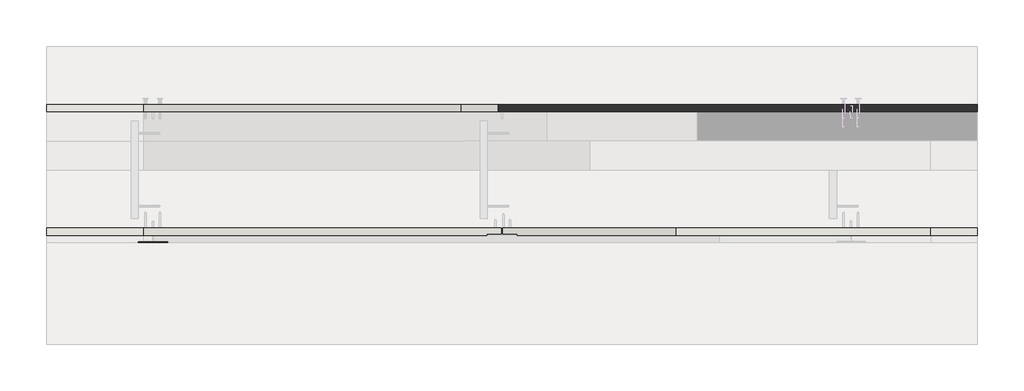
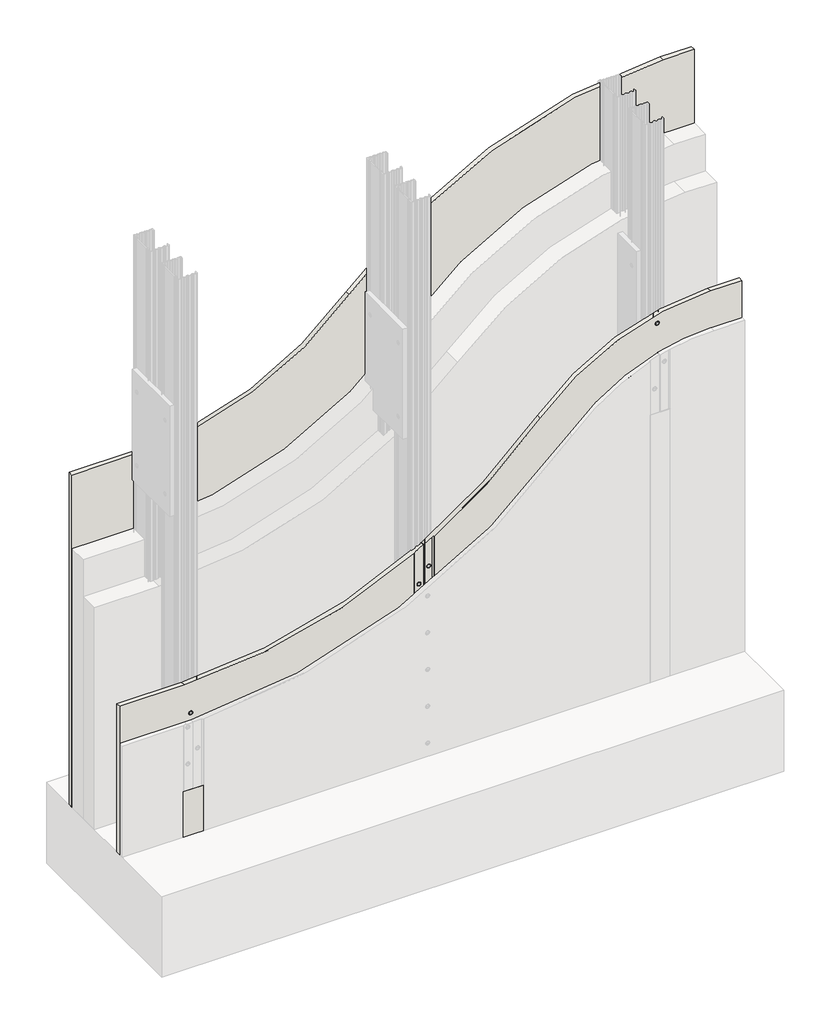
# One storey, part 1 of 4: 3 walls.
"""IFC4 building model written with IfcOpenShell, lengths in millimetres."""

import ifcopenshell
import ifcopenshell.guid

model = None  # the IFC model being written
_history = None  # IfcOwnerHistory: only IFC2X3 demands one
_inside = {}  # id of a spatial element -> (the spatial element, [elements in it])
_under = {}  # id of a project, library or spatial element -> (it, [spatial elements below it])
_declared = {}  # id of a project -> (the project, [libraries it declares])
_typed = {}  # id of a type object -> (the type object, [elements of that type])
_made_of = {}  # id of a material, layer set ... -> (it, [elements and type objects made of it])


def new_model(schema):
    """Start an empty IFC model of exactly this schema.

    Asked for "IFC4X3", IfcOpenShell would pick the latest addendum, in which some entities
    have other attributes; the version numbers below select the first issue.
    IFC2X3 requires an IfcOwnerHistory on every rooted entity: one is made here for all.
    """
    global model, _history
    if schema == "IFC4X3":
        model = ifcopenshell.file(schema_version=(4, 3, 0, 0))
    else:
        model = ifcopenshell.file(schema=schema)
    _inside.clear()
    _under.clear()
    _declared.clear()
    _typed.clear()
    _made_of.clear()
    _history = None
    if model.schema == "IFC2X3":
        org = make("IfcOrganization", Name="unknown")
        user = make(
            "IfcPersonAndOrganization",
            ThePerson=make("IfcPerson", FamilyName="unknown"),
            TheOrganization=org,
        )
        app = make(
            "IfcApplication",
            ApplicationDeveloper=org,
            Version="unknown",
            ApplicationFullName="unknown",
            ApplicationIdentifier="unknown",
        )
        _history = make(
            "IfcOwnerHistory",
            OwningUser=user,
            OwningApplication=app,
            ChangeAction="ADDED",
            CreationDate=0,
        )
    return model


def make(cls, **values):
    """One entity of the class cls with the attributes given. An attribute that is None is left unset."""
    return model.create_entity(
        cls, **{name: value for name, value in values.items() if value is not None}
    )


def rooted(cls, **values):
    """An entity with a GlobalId (a new one), such as an element, a storey or a relation."""
    return make(cls, GlobalId=ifcopenshell.guid.new(), OwnerHistory=_history, **values)


def si_unit(unit_type, name, prefix=None):
    """IfcSIUnit, for example si_unit("LENGTHUNIT", "METRE", prefix="MILLI")."""
    return make("IfcSIUnit", UnitType=unit_type, Prefix=prefix, Name=name)


def assignment(units):
    """IfcUnitAssignment: the units of a project."""
    return None if units is None else make("IfcUnitAssignment", Units=units)


def point(xyz):
    """IfcCartesianPoint."""
    return None if xyz is None else make("IfcCartesianPoint", Coordinates=xyz)


def direction(xyz):
    """IfcDirection."""
    return None if xyz is None else make("IfcDirection", DirectionRatios=xyz)


def frame(location, z_axis=None, x_axis=None):
    """IfcAxis2Placement3D, a coordinate frame: its origin and axes. An axis left out is left unset."""
    return make(
        "IfcAxis2Placement3D",
        Location=point(location),
        Axis=direction(z_axis),
        RefDirection=direction(x_axis),
    )


def frame_2d(location, x_axis=None):
    """IfcAxis2Placement2D, a coordinate frame in the plane: its origin and x axis."""
    return make(
        "IfcAxis2Placement2D", Location=point(location), RefDirection=direction(x_axis)
    )


def origin():
    """The frame at (0, 0, 0) with its axes left unset."""
    return frame((0.0, 0.0, 0.0))


def origin_with_axes():
    """The frame at (0, 0, 0) with the z axis (0, 0, 1) and the x axis (1, 0, 0) written out."""
    return frame((0.0, 0.0, 0.0), z_axis=(0.0, 0.0, 1.0), x_axis=(1.0, 0.0, 0.0))


def place(relative_to, where):
    """IfcLocalPlacement: puts the frame where relative to a parent placement (None: the world)."""
    return make(
        "IfcLocalPlacement", PlacementRelTo=relative_to, RelativePlacement=where
    )


def context(
    kind, dimensions, precision=None, world=None, true_north=None, identifier=None
):
    """IfcGeometricRepresentationContext, for example the 3D "Model" context."""
    return make(
        "IfcGeometricRepresentationContext",
        ContextIdentifier=identifier,
        ContextType=kind,
        CoordinateSpaceDimension=dimensions,
        Precision=precision,
        WorldCoordinateSystem=world,
        TrueNorth=true_north,
    )


def project(units=None, contexts=None):
    """IfcProject with its units and contexts."""
    return rooted(
        "IfcProject",
        Name="project",
        RepresentationContexts=contexts,
        UnitsInContext=assignment(units),
    )


def spatial(cls, under=None, at=None, **own):
    """A site, building, storey or space (cls), placed at a placement, below another one or the project."""
    s = rooted(cls, ObjectPlacement=at, **own)
    if under is not None:
        _under.setdefault(under.id(), (under, []))[1].append(s)
    return s


def polyline(points):
    """IfcPolyline through the points."""
    return make("IfcPolyline", Points=[point(p) for p in points])


def circle_curve(where, radius):
    """IfcCircle in the frame where."""
    return make("IfcCircle", Position=where, Radius=radius)


def ellipse_curve(where, semi_axis1, semi_axis2):
    """IfcEllipse in the frame where."""
    return make(
        "IfcEllipse", Position=where, SemiAxis1=semi_axis1, SemiAxis2=semi_axis2
    )


def trimmed(basis, trim1, trim2, sense, master):
    """IfcTrimmedCurve: the piece of a basis curve between two trims."""
    return make(
        "IfcTrimmedCurve",
        BasisCurve=basis,
        Trim1=trim1,
        Trim2=trim2,
        SenseAgreement=sense,
        MasterRepresentation=master,
    )


def segment(curve, same_sense, transition):
    """IfcCompositeCurveSegment."""
    return make(
        "IfcCompositeCurveSegment",
        Transition=transition,
        SameSense=same_sense,
        ParentCurve=curve,
    )


def composite_curve(segments, self_intersect=None):
    """IfcCompositeCurve: segments joined end to end."""
    return make("IfcCompositeCurve", Segments=segments, SelfIntersect=self_intersect)


def outline(outer, holes=None, kind="AREA"):
    """IfcArbitraryClosedProfileDef: a profile drawn as a closed curve; with holes, ...WithVoids."""
    if holes is None:
        return make("IfcArbitraryClosedProfileDef", ProfileType=kind, OuterCurve=outer)
    return make(
        "IfcArbitraryProfileDefWithVoids",
        ProfileType=kind,
        OuterCurve=outer,
        InnerCurves=holes,
    )


def extrude(swept, where, along, depth):
    """IfcExtrudedAreaSolid: the profile swept, set in the frame where, extruded along a direction by depth."""
    return make(
        "IfcExtrudedAreaSolid",
        SweptArea=swept,
        Position=where,
        ExtrudedDirection=direction(along),
        Depth=depth,
    )


def shape(context_of_items, identifier, shape_type, items):
    """IfcShapeRepresentation: the items that make up one representation, for example the "Body"."""
    return make(
        "IfcShapeRepresentation",
        ContextOfItems=context_of_items,
        RepresentationIdentifier=identifier,
        RepresentationType=shape_type,
        Items=items,
    )


def made_of(thing, what):
    """Note that an element or type object is made of a material, layer set ...; save() writes the relation."""
    if what is not None:
        _made_of.setdefault(what.id(), (what, []))[1].append(thing)
    return thing


def element(
    cls,
    number,
    at=None,
    inside=None,
    cuts=None,
    type_object=None,
    material=None,
    context=None,
    identifier="Body",
    shape_type=None,
    held_by="IfcProductDefinitionShape",
    body=None,
    shapes=None,
    **own,
):
    """One element of the class cls, such as IfcWall. Its Tag is "e" and its number.

    at: its placement. inside: the storey or other place that contains it. cuts: it is an
    opening in that element (IfcRelVoidsElement). A single representation is given by context,
    identifier, shape_type and body (its items); several are given by shapes. held_by: the class
    of the entity that holds the representations. save() writes the other relations.
    """
    e = rooted(cls, Tag="e%d" % number, ObjectPlacement=at, **own)
    if body is not None:
        shapes = [shape(context, identifier, shape_type, body)]
    if shapes is not None:
        e.Representation = make(held_by, Representations=shapes)
    if inside is not None:
        _inside.setdefault(inside.id(), (inside, []))[1].append(e)
    if cuts is not None:
        rooted(
            "IfcRelVoidsElement", RelatingBuildingElement=cuts, RelatedOpeningElement=e
        )
    if type_object is not None:
        _typed.setdefault(type_object.id(), (type_object, []))[1].append(e)
    return made_of(e, material)


def aggregate(whole, parts):
    """IfcRelAggregates: a whole, such as a stair, and the parts it consists of."""
    return rooted("IfcRelAggregates", RelatingObject=whole, RelatedObjects=parts)


def save(model, path):
    """Write the relations noted so far, then the file.

    IfcRelAggregates (storeys below a building ...), IfcRelContainedInSpatialStructure (elements
    in a storey), IfcRelDefinesByType, IfcRelAssociatesMaterial and IfcRelDeclares: one each for
    every whole, place, type object, material and project.
    """
    for whole, parts in _under.values():
        aggregate(whole, parts)
    for where, things in _inside.values():
        rooted(
            "IfcRelContainedInSpatialStructure",
            RelatedElements=things,
            RelatingStructure=where,
        )
    for kind, things in _typed.values():
        rooted("IfcRelDefinesByType", RelatedObjects=things, RelatingType=kind)
    for what, things in _made_of.values():
        rooted("IfcRelAssociatesMaterial", RelatedObjects=things, RelatingMaterial=what)
    for by, libraries in _declared.values():
        rooted("IfcRelDeclares", RelatingContext=by, RelatedDefinitions=libraries)
    model.write(path)


def plane_surface(at):
    """IfcPlane: the flat surface through the origin of the frame at, square to its z axis."""
    return make("IfcPlane", Position=at)


def cylinder_surface(at, radius):
    """IfcCylindricalSurface: all points at the distance radius from the z axis of the frame at."""
    return make("IfcCylindricalSurface", Position=at, Radius=radius)


def revolved_surface(curve, axis_point, axis_direction):
    """IfcSurfaceOfRevolution: the curve turned about the line through axis_point along axis_direction."""
    return make(
        "IfcSurfaceOfRevolution",
        SweptCurve=make("IfcArbitraryOpenProfileDef", ProfileType="CURVE", Curve=curve),
        AxisPosition=make("IfcAxis1Placement", Location=point(axis_point), Axis=direction(axis_direction)),
    )


def advanced_brep(points, edges, surfaces, faces):
    """IfcAdvancedBrep: a solid bounded by faces that lie on surfaces and meet in shared edges.

    An edge is (start, end): straight between two places in points (the first is 0);
    or (start, end, curve); or (start, end, curve, False) where it runs against its curve.
    A face is (place in surfaces, loops), or (place, loops, False) where it looks against
    its surface's normal. A loop lists edges by number (the first is 1), with a minus sign
    where the edge is run from its end to its start. The first loop is the outer one.
    """
    corners = [point(p) for p in points]
    vertices = [make("IfcVertexPoint", VertexGeometry=c) for c in corners]
    made = []
    for start, end, *more in edges:
        made.append(
            make(
                "IfcEdgeCurve",
                EdgeStart=vertices[start],
                EdgeEnd=vertices[end],
                EdgeGeometry=more[0] if more else make("IfcPolyline", Points=[corners[start], corners[end]]),
                SameSense=more[1] if len(more) > 1 else True,
            )
        )
    hull = []
    for where, loops, *sense in faces:
        bounds = []
        for j, loop in enumerate(loops):
            ring = [make("IfcOrientedEdge", EdgeElement=made[abs(k) - 1], Orientation=k > 0) for k in loop]
            bounds.append(
                make(
                    "IfcFaceOuterBound" if j == 0 else "IfcFaceBound",
                    Bound=make("IfcEdgeLoop", EdgeList=ring),
                    Orientation=True,
                )
            )
        hull.append(make("IfcAdvancedFace", Bounds=bounds, FaceSurface=surfaces[where], SameSense=sense[0] if sense else True))
    return make("IfcAdvancedBrep", Outer=make("IfcClosedShell", CfsFaces=hull))


model = new_model("IFC4")

# Units and contexts
model_context = context("Model", 3, world=origin())
ifc_project = project(units=[si_unit("LENGTHUNIT", "METRE", prefix="MILLI")], contexts=[model_context])

# Site, building, storey
site = spatial("IfcSite", under=ifc_project)
building = spatial("IfcBuilding", under=site)
storey = spatial("IfcBuildingStorey", under=building, Elevation=0.0)

# Walls
placement = place(None, origin())
element("IfcWall", 1, at=placement, inside=storey, context=model_context, shape_type="SweptSolid", body=[
    extrude(outline(composite_curve([segment(polyline([(0.0, 11791.3841513), (0.0, 13391.3841513), (1500.0, 13391.3841513), (1500.0, 13311.3841513)]), True, "CONTINUOUS"), segment(trimmed(circle_curve(frame_2d((405.9831409, 13311.3841513)), 1094.0168591), [point((1500.0, 13311.3841513))], [point((1144.6111292, 12504.3515726))], False, "CARTESIAN"), True, "CONTINUOUS"), segment(trimmed(circle_curve(frame_2d((1639.9763701, 11958.7775955)), 736.9109081), [point((1144.6111292, 12504.3515726))], [point((903.065462, 11958.7775955))], True, "CARTESIAN"), True, "CONTINUOUS"), segment(polyline([(903.065462, 11958.7775955), (903.065462, 11791.3841513), (0.0, 11791.3841513)]), True, "CONTINUOUS")], self_intersect=False)), frame((0.0, 494.643389, 0.0), z_axis=(0.0, 1.0, 0.0), x_axis=(0.0, 0.0, 1.0)), (0.0, 0.0, 1.0), 12.5),
])
element("IfcWall", 2, at=placement, inside=storey, context=model_context, shape_type="AdvancedBrep", body=[
    advanced_brep(
    [(13391.3841513, 282.143389, 0.0), (13391.3841513, 282.143389, 1000.0), (13311.3841513, 282.143389, 1000.0), (12873.6769272, 282.143389, 807.5655296), (12600.3099298, 282.143389, 582.4392036), (12600.3099298, 282.143389, 0.0), (13168.8841513, 282.143389, 960.3704392), (13178.8841513, 282.143389, 960.3704392), (13168.8841513, 282.143389, 860.3704392), (13178.8841513, 282.143389, 860.3704392), (13168.8841513, 282.143389, 760.3704392), (13178.8841513, 282.143389, 760.3704392), (13168.8841513, 282.143389, 660.3704392), (13178.8841513, 282.143389, 660.3704392), (13168.8841513, 282.143389, 560.3704392), (13178.8841513, 282.143389, 560.3704392), (13168.8841513, 282.143389, 460.3704392), (13178.8841513, 282.143389, 460.3704392), (13168.8841513, 282.143389, 360.3704392), (13178.8841513, 282.143389, 360.3704392), (13168.8841513, 282.143389, 260.3704392), (13178.8841513, 282.143389, 260.3704392), (13168.8841513, 282.143389, 160.3704392), (13178.8841513, 282.143389, 160.3704392), (13168.8841513, 282.143389, 60.3704392), (13178.8841513, 282.143389, 60.3704392), (13391.3841513, 294.643389, 1000.0), (13391.3841513, 294.643389, 0.0), (12575.3099298, 294.643389, 0.0), (12575.3099298, 294.643389, 567.6720871), (12873.6769272, 294.643389, 807.5655296), (13311.3841513, 294.643389, 1000.0), (13175.4756328, 294.643389, 960.3704392), (13172.2926697, 294.643389, 960.3704392), (13175.4756328, 294.643389, 860.3704392), (13172.2926697, 294.643389, 860.3704392), (13175.4756328, 294.643389, 760.3704392), (13172.2926697, 294.643389, 760.3704392), (13175.4756328, 294.643389, 660.3704392), (13172.2926697, 294.643389, 660.3704392), (13175.4756328, 294.643389, 560.3704392), (13172.2926697, 294.643389, 560.3704392), (13175.4756328, 294.643389, 460.3704392), (13172.2926697, 294.643389, 460.3704392), (13175.4756328, 294.643389, 360.3704392), (13172.2926697, 294.643389, 360.3704392), (13175.4756328, 294.643389, 260.3704392), (13172.2926697, 294.643389, 260.3704392), (13175.4756328, 294.643389, 160.3704392), (13172.2926697, 294.643389, 160.3704392), (13175.4756328, 294.643389, 60.3704392), (13172.2926697, 294.643389, 60.3704392), (12586.174229, 294.643389, 504.1645331), (12589.4854041, 294.643389, 504.1645331), (12600.3099298, 283.143389, 0.0), (12597.154, 284.643389, 0.0), (12575.3099298, 284.643389, 0.0), (12575.3099298, 284.643389, 567.6720871), (12597.154, 284.643389, 580.5311564), (12600.3099298, 283.143389, 582.4392036), (12592.8298166, 284.643389, 504.1645331), (12582.8298166, 284.643389, 504.1645331), (13172.0185432, 283.9530311, 960.3704392), (13175.7497593, 283.9530311, 960.3704392), (13172.0185432, 283.9530311, 860.3704392), (13175.7497593, 283.9530311, 860.3704392), (13172.0185432, 283.9530311, 760.3704392), (13175.7497593, 283.9530311, 760.3704392), (13172.0185432, 283.9530311, 660.3704392), (13175.7497593, 283.9530311, 660.3704392), (13172.0185432, 283.9530311, 560.3704392), (13175.7497593, 283.9530311, 560.3704392), (13172.0185432, 283.9530311, 460.3704392), (13175.7497593, 283.9530311, 460.3704392), (13172.0185432, 283.9530311, 360.3704392), (13175.7497593, 283.9530311, 360.3704392), (13172.0185432, 283.9530311, 260.3704392), (13175.7497593, 283.9530311, 260.3704392), (13172.0185432, 283.9530311, 160.3704392), (13175.7497593, 283.9530311, 160.3704392), (13172.0185432, 283.9530311, 60.3704392), (13175.7497593, 283.9530311, 60.3704392), (12589.6954246, 286.4530311, 504.1645331), (12585.9642085, 286.4530311, 504.1645331)],
    [
        (0, 1),
        (1, 2),
        (2, 3, circle_curve(frame((13311.3841513, 282.143389, 405.9831409), z_axis=(0.0, -1.0, 0.0), x_axis=(-1.0, 0.0, 0.0)), 594.0168591)),
        (3, 4, circle_curve(frame((11958.7775955, 282.143389, 1639.9763701), z_axis=(0.0, 1.0, 0.0), x_axis=(-1.0, 0.0, 0.0)), 1236.9109081)),
        (4, 5),
        (5, 0),
        (6, 7, circle_curve(frame((13173.8841513, 282.143389, 960.3704392), z_axis=(0.0, 1.0, 0.0), x_axis=(1.0, 0.0, 0.0)), 5.0)),
        (7, 6, circle_curve(frame((13173.8841513, 282.143389, 960.3704392), z_axis=(0.0, 1.0, 0.0), x_axis=(1.0, 0.0, 0.0)), 5.0)),
        (8, 9, circle_curve(frame((13173.8841513, 282.143389, 860.3704392), z_axis=(0.0, 1.0, 0.0), x_axis=(1.0, 0.0, 0.0)), 5.0)),
        (9, 8, circle_curve(frame((13173.8841513, 282.143389, 860.3704392), z_axis=(0.0, 1.0, 0.0), x_axis=(1.0, 0.0, 0.0)), 5.0)),
        (10, 11, circle_curve(frame((13173.8841513, 282.143389, 760.3704392), z_axis=(0.0, 1.0, 0.0), x_axis=(1.0, 0.0, 0.0)), 5.0)),
        (11, 10, circle_curve(frame((13173.8841513, 282.143389, 760.3704392), z_axis=(0.0, 1.0, 0.0), x_axis=(1.0, 0.0, 0.0)), 5.0)),
        (12, 13, circle_curve(frame((13173.8841513, 282.143389, 660.3704392), z_axis=(0.0, 1.0, 0.0), x_axis=(1.0, 0.0, 0.0)), 5.0)),
        (13, 12, circle_curve(frame((13173.8841513, 282.143389, 660.3704392), z_axis=(0.0, 1.0, 0.0), x_axis=(1.0, 0.0, 0.0)), 5.0)),
        (14, 15, circle_curve(frame((13173.8841513, 282.143389, 560.3704392), z_axis=(0.0, 1.0, 0.0), x_axis=(1.0, 0.0, 0.0)), 5.0)),
        (15, 14, circle_curve(frame((13173.8841513, 282.143389, 560.3704392), z_axis=(0.0, 1.0, 0.0), x_axis=(1.0, 0.0, 0.0)), 5.0)),
        (16, 17, circle_curve(frame((13173.8841513, 282.143389, 460.3704392), z_axis=(0.0, 1.0, 0.0), x_axis=(1.0, 0.0, 0.0)), 5.0)),
        (17, 16, circle_curve(frame((13173.8841513, 282.143389, 460.3704392), z_axis=(0.0, 1.0, 0.0), x_axis=(1.0, 0.0, 0.0)), 5.0)),
        (18, 19, circle_curve(frame((13173.8841513, 282.143389, 360.3704392), z_axis=(0.0, 1.0, 0.0), x_axis=(1.0, 0.0, 0.0)), 5.0)),
        (19, 18, circle_curve(frame((13173.8841513, 282.143389, 360.3704392), z_axis=(0.0, 1.0, 0.0), x_axis=(1.0, 0.0, 0.0)), 5.0)),
        (20, 21, circle_curve(frame((13173.8841513, 282.143389, 260.3704392), z_axis=(0.0, 1.0, 0.0), x_axis=(1.0, 0.0, 0.0)), 5.0)),
        (21, 20, circle_curve(frame((13173.8841513, 282.143389, 260.3704392), z_axis=(0.0, 1.0, 0.0), x_axis=(1.0, 0.0, 0.0)), 5.0)),
        (22, 23, circle_curve(frame((13173.8841513, 282.143389, 160.3704392), z_axis=(0.0, 1.0, 0.0), x_axis=(1.0, 0.0, 0.0)), 5.0)),
        (23, 22, circle_curve(frame((13173.8841513, 282.143389, 160.3704392), z_axis=(0.0, 1.0, 0.0), x_axis=(1.0, 0.0, 0.0)), 5.0)),
        (24, 25, circle_curve(frame((13173.8841513, 282.143389, 60.3704392), z_axis=(0.0, 1.0, 0.0), x_axis=(1.0, 0.0, 0.0)), 5.0)),
        (25, 24, circle_curve(frame((13173.8841513, 282.143389, 60.3704392), z_axis=(0.0, 1.0, 0.0), x_axis=(1.0, 0.0, 0.0)), 5.0)),
        (26, 27),
        (27, 28),
        (28, 29),
        (29, 30, circle_curve(frame((11958.7775955, 294.643389, 1639.9763701), z_axis=(0.0, -1.0, 0.0), x_axis=(-1.0, 0.0, 0.0)), 1236.9109081)),
        (30, 31, circle_curve(frame((13311.3841513, 294.643389, 405.9831409), z_axis=(0.0, 1.0, 0.0), x_axis=(-1.0, 0.0, 0.0)), 594.0168591)),
        (31, 26),
        (32, 33, circle_curve(frame((13173.8841513, 294.643389, 960.3704392), z_axis=(0.0, -1.0, 0.0), x_axis=(1.0, 0.0, 0.0)), 1.5914815)),
        (33, 32, circle_curve(frame((13173.8841513, 294.643389, 960.3704392), z_axis=(0.0, -1.0, 0.0), x_axis=(1.0, 0.0, 0.0)), 1.5914815)),
        (34, 35, circle_curve(frame((13173.8841513, 294.643389, 860.3704392), z_axis=(0.0, -1.0, 0.0), x_axis=(1.0, 0.0, 0.0)), 1.5914815)),
        (35, 34, circle_curve(frame((13173.8841513, 294.643389, 860.3704392), z_axis=(0.0, -1.0, 0.0), x_axis=(1.0, 0.0, 0.0)), 1.5914815)),
        (36, 37, circle_curve(frame((13173.8841513, 294.643389, 760.3704392), z_axis=(0.0, -1.0, 0.0), x_axis=(1.0, 0.0, 0.0)), 1.5914815)),
        (37, 36, circle_curve(frame((13173.8841513, 294.643389, 760.3704392), z_axis=(0.0, -1.0, 0.0), x_axis=(1.0, 0.0, 0.0)), 1.5914815)),
        (38, 39, circle_curve(frame((13173.8841513, 294.643389, 660.3704392), z_axis=(0.0, -1.0, 0.0), x_axis=(1.0, 0.0, 0.0)), 1.5914815)),
        (39, 38, circle_curve(frame((13173.8841513, 294.643389, 660.3704392), z_axis=(0.0, -1.0, 0.0), x_axis=(1.0, 0.0, 0.0)), 1.5914815)),
        (40, 41, circle_curve(frame((13173.8841513, 294.643389, 560.3704392), z_axis=(0.0, -1.0, 0.0), x_axis=(1.0, 0.0, 0.0)), 1.5914815)),
        (41, 40, circle_curve(frame((13173.8841513, 294.643389, 560.3704392), z_axis=(0.0, -1.0, 0.0), x_axis=(1.0, 0.0, 0.0)), 1.5914815)),
        (42, 43, circle_curve(frame((13173.8841513, 294.643389, 460.3704392), z_axis=(0.0, -1.0, 0.0), x_axis=(1.0, 0.0, 0.0)), 1.5914815)),
        (43, 42, circle_curve(frame((13173.8841513, 294.643389, 460.3704392), z_axis=(0.0, -1.0, 0.0), x_axis=(1.0, 0.0, 0.0)), 1.5914815)),
        (44, 45, circle_curve(frame((13173.8841513, 294.643389, 360.3704392), z_axis=(0.0, -1.0, 0.0), x_axis=(1.0, 0.0, 0.0)), 1.5914815)),
        (45, 44, circle_curve(frame((13173.8841513, 294.643389, 360.3704392), z_axis=(0.0, -1.0, 0.0), x_axis=(1.0, 0.0, 0.0)), 1.5914815)),
        (46, 47, circle_curve(frame((13173.8841513, 294.643389, 260.3704392), z_axis=(0.0, -1.0, 0.0), x_axis=(1.0, 0.0, 0.0)), 1.5914815)),
        (47, 46, circle_curve(frame((13173.8841513, 294.643389, 260.3704392), z_axis=(0.0, -1.0, 0.0), x_axis=(1.0, 0.0, 0.0)), 1.5914815)),
        (48, 49, circle_curve(frame((13173.8841513, 294.643389, 160.3704392), z_axis=(0.0, -1.0, 0.0), x_axis=(1.0, 0.0, 0.0)), 1.5914815)),
        (49, 48, circle_curve(frame((13173.8841513, 294.643389, 160.3704392), z_axis=(0.0, -1.0, 0.0), x_axis=(1.0, 0.0, 0.0)), 1.5914815)),
        (50, 51, circle_curve(frame((13173.8841513, 294.643389, 60.3704392), z_axis=(0.0, -1.0, 0.0), x_axis=(1.0, 0.0, 0.0)), 1.5914815)),
        (51, 50, circle_curve(frame((13173.8841513, 294.643389, 60.3704392), z_axis=(0.0, -1.0, 0.0), x_axis=(1.0, 0.0, 0.0)), 1.5914815)),
        (52, 53, circle_curve(frame((12587.8298166, 294.643389, 504.1645331), z_axis=(0.0, -1.0, 0.0), x_axis=(-1.0, 0.0, 0.0)), 1.6555876)),
        (53, 52, circle_curve(frame((12587.8298166, 294.643389, 504.1645331), z_axis=(0.0, -1.0, 0.0), x_axis=(-1.0, 0.0, 0.0)), 1.6555876)),
        (27, 0),
        (5, 54),
        (54, 55),
        (55, 56),
        (56, 28),
        (26, 1),
        (31, 2),
        (30, 3),
        (29, 57),
        (57, 58, circle_curve(frame((11958.7775955, 284.643389, 1639.9763701), z_axis=(0.0, -1.0, 0.0), x_axis=(-1.0, 0.0, 0.0)), 1236.9109081)),
        (58, 59, ellipse_curve(frame((11958.7775955, 588.0609743, 1639.9763701), z_axis=(-0.42927473522914233, -0.9031739598183451, 0.0), x_axis=(-0.903173959818345, 0.42927473522914233, 0.0)), 1369.5156893, 1236.9109081)),
        (59, 4),
        (59, 54),
        (58, 55),
        (57, 56),
        (60, 61, circle_curve(frame((12587.8298166, 284.643389, 504.1645331), z_axis=(0.0, 1.0, 0.0), x_axis=(-1.0, 0.0, 0.0)), 5.0)),
        (61, 60, circle_curve(frame((12587.8298166, 284.643389, 504.1645331), z_axis=(0.0, 1.0, 0.0), x_axis=(-1.0, 0.0, 0.0)), 5.0)),
        (6, 62),
        (62, 63, circle_curve(frame((13173.8841513, 283.9530311, 960.3704392), z_axis=(0.0, 1.0, 0.0), x_axis=(1.0, 0.0, 0.0)), 1.865608)),
        (63, 7),
        (63, 62, circle_curve(frame((13173.8841513, 283.9530311, 960.3704392), z_axis=(0.0, 1.0, 0.0), x_axis=(1.0, 0.0, 0.0)), 1.865608)),
        (62, 33),
        (32, 63),
        (8, 64),
        (64, 65, circle_curve(frame((13173.8841513, 283.9530311, 860.3704392), z_axis=(0.0, 1.0, 0.0), x_axis=(1.0, 0.0, 0.0)), 1.865608)),
        (65, 9),
        (65, 64, circle_curve(frame((13173.8841513, 283.9530311, 860.3704392), z_axis=(0.0, 1.0, 0.0), x_axis=(1.0, 0.0, 0.0)), 1.865608)),
        (64, 35),
        (34, 65),
        (10, 66),
        (66, 67, circle_curve(frame((13173.8841513, 283.9530311, 760.3704392), z_axis=(0.0, 1.0, 0.0), x_axis=(1.0, 0.0, 0.0)), 1.865608)),
        (67, 11),
        (67, 66, circle_curve(frame((13173.8841513, 283.9530311, 760.3704392), z_axis=(0.0, 1.0, 0.0), x_axis=(1.0, 0.0, 0.0)), 1.865608)),
        (66, 37),
        (36, 67),
        (12, 68),
        (68, 69, circle_curve(frame((13173.8841513, 283.9530311, 660.3704392), z_axis=(0.0, 1.0, 0.0), x_axis=(1.0, 0.0, 0.0)), 1.865608)),
        (69, 13),
        (69, 68, circle_curve(frame((13173.8841513, 283.9530311, 660.3704392), z_axis=(0.0, 1.0, 0.0), x_axis=(1.0, 0.0, 0.0)), 1.865608)),
        (68, 39),
        (38, 69),
        (14, 70),
        (70, 71, circle_curve(frame((13173.8841513, 283.9530311, 560.3704392), z_axis=(0.0, 1.0, 0.0), x_axis=(1.0, 0.0, 0.0)), 1.865608)),
        (71, 15),
        (71, 70, circle_curve(frame((13173.8841513, 283.9530311, 560.3704392), z_axis=(0.0, 1.0, 0.0), x_axis=(1.0, 0.0, 0.0)), 1.865608)),
        (70, 41),
        (40, 71),
        (16, 72),
        (72, 73, circle_curve(frame((13173.8841513, 283.9530311, 460.3704392), z_axis=(0.0, 1.0, 0.0), x_axis=(1.0, 0.0, 0.0)), 1.865608)),
        (73, 17),
        (73, 72, circle_curve(frame((13173.8841513, 283.9530311, 460.3704392), z_axis=(0.0, 1.0, 0.0), x_axis=(1.0, 0.0, 0.0)), 1.865608)),
        (72, 43),
        (42, 73),
        (18, 74),
        (74, 75, circle_curve(frame((13173.8841513, 283.9530311, 360.3704392), z_axis=(0.0, 1.0, 0.0), x_axis=(1.0, 0.0, 0.0)), 1.865608)),
        (75, 19),
        (75, 74, circle_curve(frame((13173.8841513, 283.9530311, 360.3704392), z_axis=(0.0, 1.0, 0.0), x_axis=(1.0, 0.0, 0.0)), 1.865608)),
        (74, 45),
        (44, 75),
        (20, 76),
        (76, 77, circle_curve(frame((13173.8841513, 283.9530311, 260.3704392), z_axis=(0.0, 1.0, 0.0), x_axis=(1.0, 0.0, 0.0)), 1.865608)),
        (77, 21),
        (77, 76, circle_curve(frame((13173.8841513, 283.9530311, 260.3704392), z_axis=(0.0, 1.0, 0.0), x_axis=(1.0, 0.0, 0.0)), 1.865608)),
        (76, 47),
        (46, 77),
        (22, 78),
        (78, 79, circle_curve(frame((13173.8841513, 283.9530311, 160.3704392), z_axis=(0.0, 1.0, 0.0), x_axis=(1.0, 0.0, 0.0)), 1.865608)),
        (79, 23),
        (79, 78, circle_curve(frame((13173.8841513, 283.9530311, 160.3704392), z_axis=(0.0, 1.0, 0.0), x_axis=(1.0, 0.0, 0.0)), 1.865608)),
        (78, 49),
        (48, 79),
        (24, 80),
        (80, 81, circle_curve(frame((13173.8841513, 283.9530311, 60.3704392), z_axis=(0.0, 1.0, 0.0), x_axis=(1.0, 0.0, 0.0)), 1.865608)),
        (81, 25),
        (81, 80, circle_curve(frame((13173.8841513, 283.9530311, 60.3704392), z_axis=(0.0, 1.0, 0.0), x_axis=(1.0, 0.0, 0.0)), 1.865608)),
        (80, 51),
        (50, 81),
        (60, 82),
        (82, 83, circle_curve(frame((12587.8298166, 286.4530311, 504.1645331), z_axis=(0.0, 1.0, 0.0), x_axis=(-1.0, 0.0, 0.0)), 1.865608)),
        (83, 61),
        (83, 82, circle_curve(frame((12587.8298166, 286.4530311, 504.1645331), z_axis=(0.0, 1.0, 0.0), x_axis=(-1.0, 0.0, 0.0)), 1.865608)),
        (82, 53),
        (52, 83),
    ],
    [
        plane_surface(frame((11791.3841513, 282.143389, 0.0), z_axis=(0.0, -1.0, 0.0), x_axis=(1.0, 0.0, 0.0))),
        plane_surface(frame((11791.3841513, 294.643389, 0.0), z_axis=(0.0, 1.0, 0.0), x_axis=(-1.0, 0.0, 0.0))),
        plane_surface(frame((11791.3841513, 282.143389, 0.0), z_axis=(0.0, 0.0, -1.0), x_axis=(0.0, 1.0, 0.0))),
        plane_surface(frame((13391.3841513, 282.143389, 0.0), z_axis=(1.0, 0.0, 0.0), x_axis=(0.0, 1.0, 0.0))),
        plane_surface(frame((13391.3841513, 282.143389, 1000.0), z_axis=(0.0, 0.0, 1.0), x_axis=(0.0, 1.0, 0.0))),
        cylinder_surface(frame((13311.3841513, 294.643389, 405.9831409), z_axis=(0.0, -1.0, 0.0), x_axis=(-1.0, 0.0, 0.0)), 594.0168591),
        revolved_surface(polyline([(10721.8666874, 1175.959459216414, 1639.9763701), (10721.8666874, 0.1624893835861485, 1639.9763701)]), (11958.7775955, 294.643389, 1639.9763701), (0.0, 1.0, 0.0)),
        plane_surface(frame((12600.3099298, 282.143389, 1000.0), z_axis=(-1.0, 0.0, 0.0), x_axis=(0.0, 0.0, -1.0))),
        plane_surface(frame((12600.3099298, 283.143389, 1000.0), z_axis=(-0.42927473522914233, -0.9031739598183451, 0.0), x_axis=(0.0, 0.0, -1.0))),
        plane_surface(frame((12597.154, 284.643389, 1000.0), z_axis=(0.0, -1.0, 0.0), x_axis=(0.0, 0.0, -1.0))),
        plane_surface(frame((12575.3099298, 284.643389, 1000.0), z_axis=(-1.0, 0.0, 0.0), x_axis=(0.0, 0.0, -1.0))),
        revolved_surface(polyline([(13178.8841513, 282.143389, 960.3704392), (13175.7497593, 283.9530311, 960.3704392)]), (13173.8841513, 1282.143389, 960.3704392), (0.0, -1.0, 0.0)),
        revolved_surface(polyline([(13175.7497593, 283.9530311, 960.3704392), (13175.1894783, 305.8028125, 960.3704392)]), (13173.8841513, 1282.143389, 960.3704392), (0.0, -1.0, 0.0)),
        revolved_surface(polyline([(13178.8841513, 282.143389, 860.3704392), (13175.7497593, 283.9530311, 860.3704392)]), (13173.8841513, 1282.143389, 860.3704392), (0.0, -1.0, 0.0)),
        revolved_surface(polyline([(13175.7497593, 283.9530311, 860.3704392), (13175.1894783, 305.8028125, 860.3704392)]), (13173.8841513, 1282.143389, 860.3704392), (0.0, -1.0, 0.0)),
        revolved_surface(polyline([(13178.8841513, 282.143389, 760.3704392), (13175.7497593, 283.9530311, 760.3704392)]), (13173.8841513, 1282.143389, 760.3704392), (0.0, -1.0, 0.0)),
        revolved_surface(polyline([(13175.7497593, 283.9530311, 760.3704392), (13175.1894783, 305.8028125, 760.3704392)]), (13173.8841513, 1282.143389, 760.3704392), (0.0, -1.0, 0.0)),
        revolved_surface(polyline([(13178.8841513, 282.143389, 660.3704392), (13175.7497593, 283.9530311, 660.3704392)]), (13173.8841513, 1282.143389, 660.3704392), (0.0, -1.0, 0.0)),
        revolved_surface(polyline([(13175.7497593, 283.9530311, 660.3704392), (13175.1894783, 305.8028125, 660.3704392)]), (13173.8841513, 1282.143389, 660.3704392), (0.0, -1.0, 0.0)),
        revolved_surface(polyline([(13178.8841513, 282.143389, 560.3704392), (13175.7497593, 283.9530311, 560.3704392)]), (13173.8841513, 1282.143389, 560.3704392), (0.0, -1.0, 0.0)),
        revolved_surface(polyline([(13175.7497593, 283.9530311, 560.3704392), (13175.1894783, 305.8028125, 560.3704392)]), (13173.8841513, 1282.143389, 560.3704392), (0.0, -1.0, 0.0)),
        revolved_surface(polyline([(13178.8841513, 282.143389, 460.3704392), (13175.7497593, 283.9530311, 460.3704392)]), (13173.8841513, 1282.143389, 460.3704392), (0.0, -1.0, 0.0)),
        revolved_surface(polyline([(13175.7497593, 283.9530311, 460.3704392), (13175.1894783, 305.8028125, 460.3704392)]), (13173.8841513, 1282.143389, 460.3704392), (0.0, -1.0, 0.0)),
        revolved_surface(polyline([(13178.8841513, 282.143389, 360.3704392), (13175.7497593, 283.9530311, 360.3704392)]), (13173.8841513, 1282.143389, 360.3704392), (0.0, -1.0, 0.0)),
        revolved_surface(polyline([(13175.7497593, 283.9530311, 360.3704392), (13175.1894783, 305.8028125, 360.3704392)]), (13173.8841513, 1282.143389, 360.3704392), (0.0, -1.0, 0.0)),
        revolved_surface(polyline([(13178.8841513, 282.143389, 260.3704392), (13175.7497593, 283.9530311, 260.3704392)]), (13173.8841513, 1282.143389, 260.3704392), (0.0, -1.0, 0.0)),
        revolved_surface(polyline([(13175.7497593, 283.9530311, 260.3704392), (13175.1894783, 305.8028125, 260.3704392)]), (13173.8841513, 1282.143389, 260.3704392), (0.0, -1.0, 0.0)),
        revolved_surface(polyline([(13178.8841513, 282.143389, 160.3704392), (13175.7497593, 283.9530311, 160.3704392)]), (13173.8841513, 1282.143389, 160.3704392), (0.0, -1.0, 0.0)),
        revolved_surface(polyline([(13175.7497593, 283.9530311, 160.3704392), (13175.1894783, 305.8028125, 160.3704392)]), (13173.8841513, 1282.143389, 160.3704392), (0.0, -1.0, 0.0)),
        revolved_surface(polyline([(13178.8841513, 282.143389, 60.3704392), (13175.7497593, 283.9530311, 60.3704392)]), (13173.8841513, 1282.143389, 60.3704392), (0.0, -1.0, 0.0)),
        revolved_surface(polyline([(13175.7497593, 283.9530311, 60.3704392), (13175.1894783, 305.8028125, 60.3704392)]), (13173.8841513, 1282.143389, 60.3704392), (0.0, -1.0, 0.0)),
        revolved_surface(polyline([(12582.8298166, 284.643389, 504.1645331), (12585.9642085, 286.4530311, 504.1645331)]), (12587.8298166, 1284.643389, 504.1645331), (0.0, -1.0, 0.0)),
        revolved_surface(polyline([(12585.9642085, 286.4530311, 504.1645331), (12586.5244895, 308.3028125, 504.1645331)]), (12587.8298166, 1284.643389, 504.1645331), (0.0, -1.0, 0.0)),
    ],
    [
        (0, [[1, 2, 3, 4, 5, 6], [7, 8], [9, 10], [11, 12], [13, 14], [15, 16], [17, 18], [19, 20], [21, 22], [23, 24], [25, 26]]),
        (1, [[27, 28, 29, 30, 31, 32], [33, 34], [35, 36], [37, 38], [39, 40], [41, 42], [43, 44], [45, 46], [47, 48], [49, 50], [51, 52], [53, 54]]),
        (2, [[55, -6, 56, 57, 58, 59, -28]]),
        (3, [[-1, -55, -27, 60]]),
        (4, [[-2, -60, -32, 61]]),
        (5, [[-3, -61, -31, 62]]),
        (6, [[-62, -30, 63, 64, 65, 66, -4]]),
        (7, [[-5, -66, 67, -56]]),
        (8, [[-67, -65, 68, -57]]),
        (9, [[-68, -64, 69, -58], [70, 71]]),
        (10, [[-29, -59, -69, -63]]),
        (11, [[72, 73, 74, -7]]),
        (11, [[-72, -8, -74, 75]]),
        (12, [[-73, 76, -33, 77]]),
        (12, [[-75, -77, -34, -76]]),
        (13, [[78, 79, 80, -9]]),
        (13, [[-78, -10, -80, 81]]),
        (14, [[-79, 82, -35, 83]]),
        (14, [[-81, -83, -36, -82]]),
        (15, [[84, 85, 86, -11]]),
        (15, [[-84, -12, -86, 87]]),
        (16, [[-85, 88, -37, 89]]),
        (16, [[-87, -89, -38, -88]]),
        (17, [[90, 91, 92, -13]]),
        (17, [[-90, -14, -92, 93]]),
        (18, [[-91, 94, -39, 95]]),
        (18, [[-93, -95, -40, -94]]),
        (19, [[96, 97, 98, -15]]),
        (19, [[-96, -16, -98, 99]]),
        (20, [[-97, 100, -41, 101]]),
        (20, [[-99, -101, -42, -100]]),
        (21, [[102, 103, 104, -17]]),
        (21, [[-102, -18, -104, 105]]),
        (22, [[-103, 106, -43, 107]]),
        (22, [[-105, -107, -44, -106]]),
        (23, [[108, 109, 110, -19]]),
        (23, [[-108, -20, -110, 111]]),
        (24, [[-109, 112, -45, 113]]),
        (24, [[-111, -113, -46, -112]]),
        (25, [[114, 115, 116, -21]]),
        (25, [[-114, -22, -116, 117]]),
        (26, [[-115, 118, -47, 119]]),
        (26, [[-117, -119, -48, -118]]),
        (27, [[120, 121, 122, -23]]),
        (27, [[-120, -24, -122, 123]]),
        (28, [[-121, 124, -49, 125]]),
        (28, [[-123, -125, -50, -124]]),
        (29, [[126, 127, 128, -25]]),
        (29, [[-126, -26, -128, 129]]),
        (30, [[-127, 130, -51, 131]]),
        (30, [[-129, -131, -52, -130]]),
        (31, [[132, 133, 134, -70]]),
        (31, [[-132, -71, -134, 135]]),
        (32, [[-133, 136, -53, 137]]),
        (32, [[-135, -137, -54, -136]]),
    ],
),
    advanced_brep(
    [(11791.3841513, 282.143389, 403.065462), (11791.3841513, 282.143389, 0.0), (12548.3099298, 282.143389, 0.0), (12548.3099298, 282.143389, 552.5940908), (11958.7775955, 282.143389, 403.065462), (11969.5091513, 282.143389, 321.2712003), (11979.5091513, 282.143389, 321.2712003), (11969.5091513, 282.143389, 221.2712003), (11979.5091513, 282.143389, 221.2712003), (11969.5091513, 282.143389, 121.2712003), (11979.5091513, 282.143389, 121.2712003), (11969.5091513, 282.143389, 21.2712003), (11979.5091513, 282.143389, 21.2712003), (11791.3841513, 294.643389, 0.0), (11791.3841513, 294.643389, 403.065462), (11958.7775955, 294.643389, 403.065462), (12573.3099298, 294.643389, 566.5246457), (12573.3099298, 294.643389, 0.0), (11976.1006328, 294.643389, 321.2712003), (11972.9176697, 294.643389, 321.2712003), (11976.1006328, 294.643389, 221.2712003), (11972.9176697, 294.643389, 221.2712003), (11976.1006328, 294.643389, 121.2712003), (11972.9176697, 294.643389, 121.2712003), (11976.1006328, 294.643389, 21.2712003), (11972.9176697, 294.643389, 21.2712003), (12561.174229, 294.643389, 464.1645331), (12564.4854041, 294.643389, 464.1645331), (12573.3099298, 284.643389, 0.0), (12551.4658596, 284.643389, 0.0), (12548.3099298, 283.143389, 0.0), (12548.3099298, 283.143389, 552.5940908), (12551.4658596, 284.643389, 554.3110367), (12573.3099298, 284.643389, 566.5246457), (12567.8298166, 284.643389, 464.1645331), (12557.8298166, 284.643389, 464.1645331), (11972.6435432, 283.9530311, 321.2712003), (11976.3747593, 283.9530311, 321.2712003), (11972.6435432, 283.9530311, 221.2712003), (11976.3747593, 283.9530311, 221.2712003), (11972.6435432, 283.9530311, 121.2712003), (11976.3747593, 283.9530311, 121.2712003), (11972.6435432, 283.9530311, 21.2712003), (11976.3747593, 283.9530311, 21.2712003), (12564.6954246, 286.4530311, 464.1645331), (12560.9642085, 286.4530311, 464.1645331)],
    [
        (0, 1),
        (1, 2),
        (2, 3),
        (3, 4, circle_curve(frame((11958.7775955, 282.143389, 1639.9763701), z_axis=(0.0, 1.0, 0.0), x_axis=(-1.0, 0.0, 0.0)), 1236.9109081)),
        (4, 0),
        (5, 6, circle_curve(frame((11974.5091513, 282.143389, 321.2712003), z_axis=(0.0, 1.0, 0.0), x_axis=(1.0, 0.0, 0.0)), 5.0)),
        (6, 5, circle_curve(frame((11974.5091513, 282.143389, 321.2712003), z_axis=(0.0, 1.0, 0.0), x_axis=(1.0, 0.0, 0.0)), 5.0)),
        (7, 8, circle_curve(frame((11974.5091513, 282.143389, 221.2712003), z_axis=(0.0, 1.0, 0.0), x_axis=(1.0, 0.0, 0.0)), 5.0)),
        (8, 7, circle_curve(frame((11974.5091513, 282.143389, 221.2712003), z_axis=(0.0, 1.0, 0.0), x_axis=(1.0, 0.0, 0.0)), 5.0)),
        (9, 10, circle_curve(frame((11974.5091513, 282.143389, 121.2712003), z_axis=(0.0, 1.0, 0.0), x_axis=(1.0, 0.0, 0.0)), 5.0)),
        (10, 9, circle_curve(frame((11974.5091513, 282.143389, 121.2712003), z_axis=(0.0, 1.0, 0.0), x_axis=(1.0, 0.0, 0.0)), 5.0)),
        (11, 12, circle_curve(frame((11974.5091513, 282.143389, 21.2712003), z_axis=(0.0, 1.0, 0.0), x_axis=(1.0, 0.0, 0.0)), 5.0)),
        (12, 11, circle_curve(frame((11974.5091513, 282.143389, 21.2712003), z_axis=(0.0, 1.0, 0.0), x_axis=(1.0, 0.0, 0.0)), 5.0)),
        (13, 14),
        (14, 15),
        (15, 16, circle_curve(frame((11958.7775955, 294.643389, 1639.9763701), z_axis=(0.0, -1.0, 0.0), x_axis=(-1.0, 0.0, 0.0)), 1236.9109081)),
        (16, 17),
        (17, 13),
        (18, 19, circle_curve(frame((11974.5091513, 294.643389, 321.2712003), z_axis=(0.0, -1.0, 0.0), x_axis=(1.0, 0.0, 0.0)), 1.5914815)),
        (19, 18, circle_curve(frame((11974.5091513, 294.643389, 321.2712003), z_axis=(0.0, -1.0, 0.0), x_axis=(1.0, 0.0, 0.0)), 1.5914815)),
        (20, 21, circle_curve(frame((11974.5091513, 294.643389, 221.2712003), z_axis=(0.0, -1.0, 0.0), x_axis=(1.0, 0.0, 0.0)), 1.5914815)),
        (21, 20, circle_curve(frame((11974.5091513, 294.643389, 221.2712003), z_axis=(0.0, -1.0, 0.0), x_axis=(1.0, 0.0, 0.0)), 1.5914815)),
        (22, 23, circle_curve(frame((11974.5091513, 294.643389, 121.2712003), z_axis=(0.0, -1.0, 0.0), x_axis=(1.0, 0.0, 0.0)), 1.5914815)),
        (23, 22, circle_curve(frame((11974.5091513, 294.643389, 121.2712003), z_axis=(0.0, -1.0, 0.0), x_axis=(1.0, 0.0, 0.0)), 1.5914815)),
        (24, 25, circle_curve(frame((11974.5091513, 294.643389, 21.2712003), z_axis=(0.0, -1.0, 0.0), x_axis=(1.0, 0.0, 0.0)), 1.5914815)),
        (25, 24, circle_curve(frame((11974.5091513, 294.643389, 21.2712003), z_axis=(0.0, -1.0, 0.0), x_axis=(1.0, 0.0, 0.0)), 1.5914815)),
        (26, 27, circle_curve(frame((12562.8298166, 294.643389, 464.1645331), z_axis=(0.0, -1.0, 0.0), x_axis=(-1.0, 0.0, 0.0)), 1.6555876)),
        (27, 26, circle_curve(frame((12562.8298166, 294.643389, 464.1645331), z_axis=(0.0, -1.0, 0.0), x_axis=(-1.0, 0.0, 0.0)), 1.6555876)),
        (1, 13),
        (17, 28),
        (28, 29),
        (29, 30),
        (30, 2),
        (0, 14),
        (15, 4),
        (3, 31),
        (31, 32, ellipse_curve(frame((11958.7775955, 2.9411821, 1639.9763701), z_axis=(0.42927473523314746, -0.9031739598164416, 0.0), x_axis=(0.9031739598164414, 0.42927473523314735, 0.0)), 1369.5156893, 1236.9109081)),
        (32, 33, circle_curve(frame((11958.7775955, 284.643389, 1639.9763701), z_axis=(0.0, -1.0, 0.0), x_axis=(-1.0, 0.0, 0.0)), 1236.9109081)),
        (33, 16),
        (33, 28),
        (32, 29),
        (34, 35, circle_curve(frame((12562.8298166, 284.643389, 464.1645331), z_axis=(0.0, 1.0, 0.0), x_axis=(-1.0, 0.0, 0.0)), 5.0)),
        (35, 34, circle_curve(frame((12562.8298166, 284.643389, 464.1645331), z_axis=(0.0, 1.0, 0.0), x_axis=(-1.0, 0.0, 0.0)), 5.0)),
        (31, 30),
        (5, 36),
        (36, 37, circle_curve(frame((11974.5091513, 283.9530311, 321.2712003), z_axis=(0.0, 1.0, 0.0), x_axis=(1.0, 0.0, 0.0)), 1.865608)),
        (37, 6),
        (37, 36, circle_curve(frame((11974.5091513, 283.9530311, 321.2712003), z_axis=(0.0, 1.0, 0.0), x_axis=(1.0, 0.0, 0.0)), 1.865608)),
        (36, 19),
        (18, 37),
        (7, 38),
        (38, 39, circle_curve(frame((11974.5091513, 283.9530311, 221.2712003), z_axis=(0.0, 1.0, 0.0), x_axis=(1.0, 0.0, 0.0)), 1.865608)),
        (39, 8),
        (39, 38, circle_curve(frame((11974.5091513, 283.9530311, 221.2712003), z_axis=(0.0, 1.0, 0.0), x_axis=(1.0, 0.0, 0.0)), 1.865608)),
        (38, 21),
        (20, 39),
        (9, 40),
        (40, 41, circle_curve(frame((11974.5091513, 283.9530311, 121.2712003), z_axis=(0.0, 1.0, 0.0), x_axis=(1.0, 0.0, 0.0)), 1.865608)),
        (41, 10),
        (41, 40, circle_curve(frame((11974.5091513, 283.9530311, 121.2712003), z_axis=(0.0, 1.0, 0.0), x_axis=(1.0, 0.0, 0.0)), 1.865608)),
        (40, 23),
        (22, 41),
        (11, 42),
        (42, 43, circle_curve(frame((11974.5091513, 283.9530311, 21.2712003), z_axis=(0.0, 1.0, 0.0), x_axis=(1.0, 0.0, 0.0)), 1.865608)),
        (43, 12),
        (43, 42, circle_curve(frame((11974.5091513, 283.9530311, 21.2712003), z_axis=(0.0, 1.0, 0.0), x_axis=(1.0, 0.0, 0.0)), 1.865608)),
        (42, 25),
        (24, 43),
        (34, 44),
        (44, 45, circle_curve(frame((12562.8298166, 286.4530311, 464.1645331), z_axis=(0.0, 1.0, 0.0), x_axis=(-1.0, 0.0, 0.0)), 1.865608)),
        (45, 35),
        (45, 44, circle_curve(frame((12562.8298166, 286.4530311, 464.1645331), z_axis=(0.0, 1.0, 0.0), x_axis=(-1.0, 0.0, 0.0)), 1.865608)),
        (44, 27),
        (26, 45),
    ],
    [
        plane_surface(frame((11791.3841513, 282.143389, 0.0), z_axis=(0.0, -1.0, 0.0), x_axis=(1.0, 0.0, 0.0))),
        plane_surface(frame((11791.3841513, 294.643389, 0.0), z_axis=(0.0, 1.0, 0.0), x_axis=(-1.0, 0.0, 0.0))),
        plane_surface(frame((11791.3841513, 282.143389, 0.0), z_axis=(0.0, 0.0, -1.0), x_axis=(0.0, 1.0, 0.0))),
        plane_surface(frame((11791.3841513, 282.143389, 403.065462), z_axis=(-1.0, 0.0, 0.0), x_axis=(0.0, 1.0, 0.0))),
        revolved_surface(polyline([(10721.8666874, 590.8396670218988, 1639.9763701), (10721.8666874, -584.9573028218988, 1639.9763701)]), (11958.7775955, 294.643389, 1639.9763701), (0.0, 1.0, 0.0)),
        plane_surface(frame((11958.7775955, 282.143389, 403.065462), z_axis=(0.0, 0.0, 1.0), x_axis=(0.0, 1.0, 0.0))),
        plane_surface(frame((12573.3099298, 294.643389, 1000.0), z_axis=(1.0, 0.0, 0.0), x_axis=(0.0, 0.0, -1.0))),
        plane_surface(frame((12573.3099298, 284.643389, 1000.0), z_axis=(0.0, -1.0, 0.0), x_axis=(0.0, 0.0, -1.0))),
        plane_surface(frame((12551.4658596, 284.643389, 1000.0), z_axis=(0.42927473523314746, -0.9031739598164416, 0.0), x_axis=(0.0, 0.0, -1.0))),
        plane_surface(frame((12548.3099298, 283.143389, 1000.0), z_axis=(1.0, 0.0, 0.0), x_axis=(0.0, 0.0, -1.0))),
        revolved_surface(polyline([(11979.5091513, 282.143389, 321.2712003), (11976.3747593, 283.9530311, 321.2712003)]), (11974.5091513, 1282.143389, 321.2712003), (0.0, -1.0, 0.0)),
        revolved_surface(polyline([(11976.3747593, 283.9530311, 321.2712003), (11975.8144783, 305.8028125, 321.2712003)]), (11974.5091513, 1282.143389, 321.2712003), (0.0, -1.0, 0.0)),
        revolved_surface(polyline([(11979.5091513, 282.143389, 221.2712003), (11976.3747593, 283.9530311, 221.2712003)]), (11974.5091513, 1282.143389, 221.2712003), (0.0, -1.0, 0.0)),
        revolved_surface(polyline([(11976.3747593, 283.9530311, 221.2712003), (11975.8144783, 305.8028125, 221.2712003)]), (11974.5091513, 1282.143389, 221.2712003), (0.0, -1.0, 0.0)),
        revolved_surface(polyline([(11979.5091513, 282.143389, 121.2712003), (11976.3747593, 283.9530311, 121.2712003)]), (11974.5091513, 1282.143389, 121.2712003), (0.0, -1.0, 0.0)),
        revolved_surface(polyline([(11976.3747593, 283.9530311, 121.2712003), (11975.8144783, 305.8028125, 121.2712003)]), (11974.5091513, 1282.143389, 121.2712003), (0.0, -1.0, 0.0)),
        revolved_surface(polyline([(11979.5091513, 282.143389, 21.2712003), (11976.3747593, 283.9530311, 21.2712003)]), (11974.5091513, 1282.143389, 21.2712003), (0.0, -1.0, 0.0)),
        revolved_surface(polyline([(11976.3747593, 283.9530311, 21.2712003), (11975.8144783, 305.8028125, 21.2712003)]), (11974.5091513, 1282.143389, 21.2712003), (0.0, -1.0, 0.0)),
        revolved_surface(polyline([(12557.8298166, 284.643389, 464.1645331), (12560.9642085, 286.4530311, 464.1645331)]), (12562.8298166, 1284.643389, 464.1645331), (0.0, -1.0, 0.0)),
        revolved_surface(polyline([(12560.9642085, 286.4530311, 464.1645331), (12561.5244895, 308.3028125, 464.1645331)]), (12562.8298166, 1284.643389, 464.1645331), (0.0, -1.0, 0.0)),
    ],
    [
        (0, [[1, 2, 3, 4, 5], [6, 7], [8, 9], [10, 11], [12, 13]]),
        (1, [[14, 15, 16, 17, 18], [19, 20], [21, 22], [23, 24], [25, 26], [27, 28]]),
        (2, [[29, -18, 30, 31, 32, 33, -2]]),
        (3, [[-1, 34, -14, -29]]),
        (4, [[35, -4, 36, 37, 38, 39, -16]]),
        (5, [[-5, -35, -15, -34]]),
        (6, [[-17, -39, 40, -30]]),
        (7, [[-40, -38, 41, -31], [42, 43]]),
        (8, [[44, -32, -41, -37]]),
        (9, [[-3, -33, -44, -36]]),
        (10, [[45, 46, 47, -6]]),
        (10, [[-45, -7, -47, 48]]),
        (11, [[-46, 49, -19, 50]]),
        (11, [[-48, -50, -20, -49]]),
        (12, [[51, 52, 53, -8]]),
        (12, [[-51, -9, -53, 54]]),
        (13, [[-52, 55, -21, 56]]),
        (13, [[-54, -56, -22, -55]]),
        (14, [[57, 58, 59, -10]]),
        (14, [[-57, -11, -59, 60]]),
        (15, [[-58, 61, -23, 62]]),
        (15, [[-60, -62, -24, -61]]),
        (16, [[63, 64, 65, -12]]),
        (16, [[-63, -13, -65, 66]]),
        (17, [[-64, 67, -25, 68]]),
        (17, [[-66, -68, -26, -67]]),
        (18, [[69, 70, 71, -42]]),
        (18, [[-69, -43, -71, 72]]),
        (19, [[-70, 73, -27, 74]]),
        (19, [[-72, -74, -28, -73]]),
    ],
),
])
element("IfcWall", 3, at=placement, inside=storey, context=model_context, shape_type="SweptSolid", body=[
    extrude(outline(polyline([(11948.4841513, 270.643389), (12000.4841513, 270.643389), (12000.4841513, 269.643389), (11948.4841513, 269.643389), (11948.4841513, 270.643389)])), origin_with_axes(), (0.0, 0.0, 1.0), 123.1),
])

save(model, "model.ifc")
